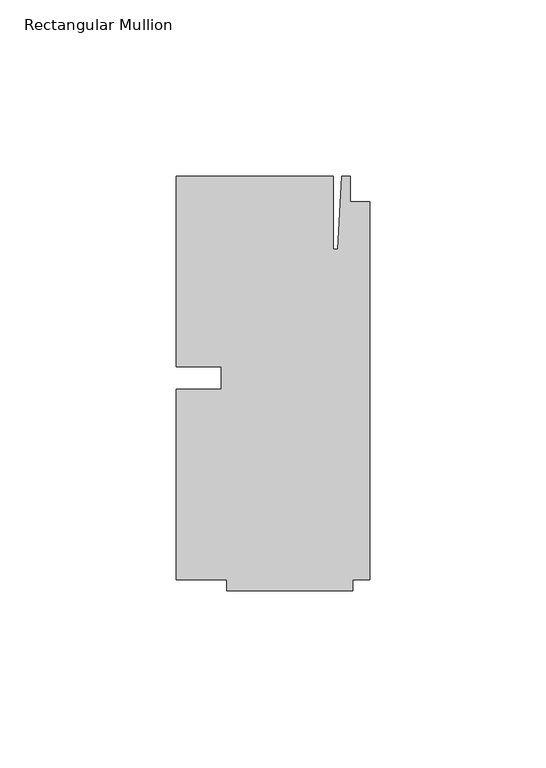
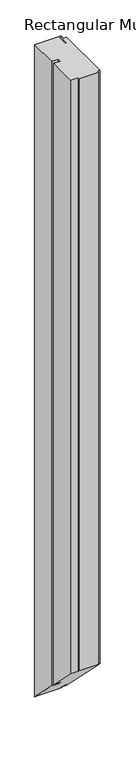
"""IFC4 building model written with IfcOpenShell, lengths in millimetres: member geometry, Rectangular Mullion."""

from ifc_helpers import new_model, si_unit, origin, place, context, project, spatial, faceted_brep, source, transform, mapped, element, save


def rectangular_mullion_5cc915f1(model_context):
    return source(origin(), model_context, "Body", "Brep", [
        faceted_brep([(-42.06875, -3.175, 0.0), (-54.76875, -3.175, 0.0), (-54.76875, -57.15, 0.0), (-40.48125, -57.15, 0.0), (-40.48125, -60.325, 0.0), (-4.7625, -60.325, 0.0), (-4.7625, -57.15, 0.0), (0.0, -57.15, 0.0), (0.0, 50.00625, 0.0), (-5.55625, 50.00625, 0.0), (-5.55625, 57.15, 0.0), (-7.9375, 57.15, 0.0), (-9.0190655, 36.5125, 0.0), (-10.31875, 36.5125, 0.0), (-10.31875, 57.15, 0.0), (-54.76875, 57.15, 0.0), (-54.76875, 3.175, 0.0), (-42.06875, 3.175, 0.0), (-42.06875, -3.175, -1216.025), (-54.76875, -3.175, -1216.025), (-54.76875, -57.15, -1162.05), (-40.48125, -57.15, -1162.05), (-40.48125, -60.325, -1158.875), (-4.7625, -60.325, -1158.875), (-4.7625, -57.15, -1162.05), (0.0, -57.15, -1162.05), (0.0, 50.00625, -1269.20625), (-5.55625, 50.00625, -1269.20625), (-5.55625, 57.15, -1276.35), (-7.9375, 57.15, -1276.35), (-9.0190655, 36.5125, -1255.7125), (-10.31875, 36.5125, -1255.7125), (-10.31875, 57.15, -1276.35), (-54.76875, 57.15, -1276.35), (-54.76875, 3.175, -1222.375), (-42.06875, 3.175, -1222.375)], [[[0, 1, 2, 3, 4, 5, 6, 7, 8, 9, 10, 11, 12, 13, 14, 15, 16, 17]], [[1, 0, 18, 19]], [[2, 1, 19, 20]], [[3, 2, 20, 21]], [[4, 3, 21, 22]], [[5, 4, 22, 23]], [[6, 5, 23, 24]], [[7, 6, 24, 25]], [[8, 7, 25, 26]], [[9, 8, 26, 27]], [[10, 9, 27, 28]], [[11, 10, 28, 29]], [[12, 11, 29, 30]], [[13, 12, 30, 31]], [[14, 13, 31, 32]], [[15, 14, 32, 33]], [[16, 15, 33, 34]], [[17, 16, 34, 35]], [[0, 17, 35, 18]], [[18, 35, 34, 33, 32, 31, 30, 29, 28, 27, 26, 25, 24, 23, 22, 21, 20, 19]]]),
    ])


if __name__ == "__main__":
    model = new_model("IFC4")
    model_context = context("Model", 3, world=origin())
    ifc_project = project(units=[si_unit("LENGTHUNIT", "METRE", prefix="MILLI")], contexts=[model_context])
    site = spatial("IfcSite", under=ifc_project)
    building = spatial("IfcBuilding", under=site)
    placement = place(None, origin())
    rectangular_mullion_shape = rectangular_mullion_5cc915f1(model_context)
    element("IfcMember", 1, ObjectType="Rectangular Mullion", at=placement, inside=building, context=model_context, shape_type="MappedRepresentation", body=[
        mapped(rectangular_mullion_shape, transform((0.0, 0.0, 0.0), x_axis=(1.0, 0.0, 0.0), y_axis=(0.0, 1.0, 0.0), z_axis=(0.0, 0.0, 1.0))),
    ])
    save(model, "model.ifc")
